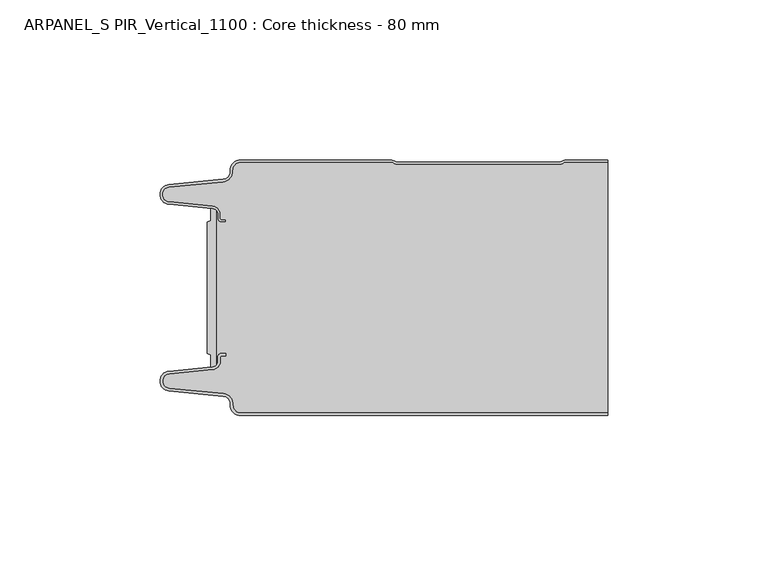
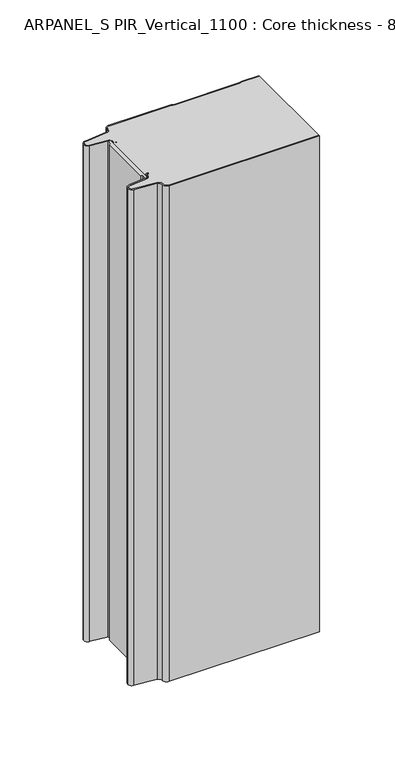
"""IFC4 building model written with IfcOpenShell, lengths in millimetres: plate geometry, ARPANEL_S PIR_Vertical_1100 : Core thickness - 80 mm."""

from ifc_helpers import new_model, si_unit, point, frame, frame_2d, origin, origin_with_axes, place, context, project, spatial, polyline, circle_curve, trimmed, segment, composite_curve, outline, extrude, source, transform, mapped, element, save
from ifc_brep_helpers import plane_surface, cylinder_surface, revolved_surface, advanced_brep


def arpanel_s_pir_vertical_1100_core_thickness_80_mm_e02a9ee4(model_context):
    return source(origin(), model_context, "Body", "SolidModel", [
        extrude(outline(composite_curve([segment(polyline([(-55.2854621, -19.4639745), (-54.0682893, -19.0209598), (-54.0682893, -15.20918)]), True, "CONTINUOUS"), segment(trimmed(circle_curve(frame_2d((-53.9194754, -17.302662)), 2.0987645), [point((-54.0682893, -15.20918))], [point((-52.4659308, -15.7887199))], False, "CARTESIAN"), True, "CONTINUOUS"), segment(polyline([(-52.4659308, -15.7887199), (-52.4659308, -64.2112801)]), True, "CONTINUOUS"), segment(trimmed(circle_curve(frame_2d((-53.9194754, -62.697338)), 2.0987645), [point((-52.4659308, -64.2112801))], [point((-54.0682893, -64.79082))], False, "CARTESIAN"), True, "CONTINUOUS"), segment(polyline([(-54.0682893, -64.79082), (-54.0682893, -60.9790402), (-55.2854621, -60.5360255), (-55.2854621, -19.4639745)]), True, "CONTINUOUS")], self_intersect=False)), origin_with_axes(), (0.0, 0.0, 1.0), 400.0),
        advanced_brep(
        [(-44.8000003, -79.9996949, 0.0), (-47.9923632, -76.5787437, 0.0), (-50.2560431, -73.9171154, 0.0), (-67.2115315, -72.2546153, 0.0), (-69.9999998, -69.1776715, 0.0), (-67.2115315, -66.1007278, 0.0), (-53.6195785, -64.7680252, 0.0), (-51.9952277, -62.9766159, 0.0), (-51.9952277, -61.8996949, 0.0), (-50.5952277, -60.4996949, 0.0), (-49.4952277, -60.4996949, 0.0), (-49.4952277, -61.2996949, 0.0), (-50.5952277, -61.2996949, 0.0), (-51.1952277, -61.8996949, 0.0), (-51.1952277, -62.9766159, 0.0), (-53.5415122, -65.5642071, 0.0), (-67.1334652, -66.8969097, 0.0), (-69.1999997, -69.1776715, 0.0), (-67.1334652, -71.4584333, 0.0), (-50.1779767, -73.1209335, 0.0), (-47.2078761, -76.6330399, 0.0), (-44.8000003, -79.1996949, 0.0), (69.9999998, -79.2, 0.0), (69.9999998, -79.9996949, 0.0), (-44.8000003, -79.1996949, 400.0), (-47.1942724, -76.6339815, 400.0), (-50.1779767, -73.1209335, 400.0), (-67.1334652, -71.4584333, 400.0), (-69.1999997, -69.1776715, 400.0), (-67.1334652, -66.8969097, 400.0), (-53.5415122, -65.5642071, 400.0), (-51.1952277, -62.9766159, 400.0), (-51.1952277, -61.8996949, 400.0), (-50.5952277, -61.2996949, 400.0), (-49.4952277, -61.2996949, 400.0), (-49.4952277, -60.4996949, 400.0), (-50.5952277, -60.4996949, 400.0), (-51.9952277, -61.8996949, 400.0), (-51.9952277, -62.9766159, 400.0), (-53.6195785, -64.7680252, 400.0), (-67.2115315, -66.1007278, 400.0), (-69.9999998, -69.1776715, 400.0), (-67.2115315, -72.2546153, 400.0), (-50.2560431, -73.9171154, 400.0), (-48.0059668, -76.5778021, 400.0), (-44.8000003, -79.9996949, 400.0), (69.9999998, -79.9996949, 400.0), (69.9999998, -79.2, 400.0)],
        [
            (0, 1, circle_curve(frame((-44.8000003, -76.7996949, 0.0), z_axis=(0.0, 0.0, -1.0), x_axis=(1.0, 0.0, 0.0)), 3.2)),
            (1, 2, circle_curve(frame((-50.5000003, -76.4051839, 0.0), z_axis=(0.0, 0.0, 1.0), x_axis=(1.0, 0.0, 0.0)), 2.5)),
            (2, 3),
            (3, 4, circle_curve(frame((-66.9100003, -69.1793626, 0.0), z_axis=(0.0, 0.0, -1.0), x_axis=(1.0, 0.0, 0.0)), 3.09)),
            (4, 5, circle_curve(frame((-66.9100003, -69.1759805, 0.0), z_axis=(0.0, 0.0, -1.0), x_axis=(1.0, 0.0, 0.0)), 3.09)),
            (5, 6),
            (6, 7, circle_curve(frame((-53.7952277, -62.9766159, 0.0), z_axis=(0.0, 0.0, 1.0), x_axis=(1.0, 0.0, 0.0)), 1.8)),
            (7, 8),
            (8, 9, circle_curve(frame((-50.5952277, -61.8996949, 0.0), z_axis=(0.0, 0.0, -1.0), x_axis=(1.0, 0.0, 0.0)), 1.4)),
            (9, 10),
            (10, 11),
            (11, 12),
            (12, 13, circle_curve(frame((-50.5952277, -61.8996949, 0.0), z_axis=(0.0, 0.0, 1.0), x_axis=(1.0, 0.0, 0.0)), 0.6)),
            (13, 14),
            (14, 15, circle_curve(frame((-53.7952277, -62.9766159, 0.0), z_axis=(0.0, 0.0, -1.0), x_axis=(1.0, 0.0, 0.0)), 2.6)),
            (15, 16),
            (16, 17, circle_curve(frame((-66.9100003, -69.1759805, 0.0), z_axis=(0.0, 0.0, 1.0), x_axis=(1.0, 0.0, 0.0)), 2.29)),
            (17, 18, circle_curve(frame((-66.9100003, -69.1793626, 0.0), z_axis=(0.0, 0.0, 1.0), x_axis=(1.0, 0.0, 0.0)), 2.29)),
            (18, 19),
            (19, 20, circle_curve(frame((-50.5000003, -76.4051839, 0.0), z_axis=(0.0, 0.0, -1.0), x_axis=(1.0, 0.0, 0.0)), 3.3)),
            (20, 21, circle_curve(frame((-44.8000003, -76.7996949, 0.0), z_axis=(0.0, 0.0, 1.0), x_axis=(1.0, 0.0, 0.0)), 2.4)),
            (21, 22),
            (22, 23),
            (23, 0),
            (24, 25, circle_curve(frame((-44.8000003, -76.7996949, 400.0), z_axis=(0.0, 0.0, -1.0), x_axis=(1.0, 0.0, 0.0)), 2.4)),
            (25, 26, circle_curve(frame((-50.5000003, -76.4051839, 400.0), z_axis=(0.0, 0.0, 1.0), x_axis=(1.0, 0.0, 0.0)), 3.3)),
            (26, 27),
            (27, 28, circle_curve(frame((-66.9100003, -69.1793626, 400.0), z_axis=(0.0, 0.0, -1.0), x_axis=(1.0, 0.0, 0.0)), 2.29)),
            (28, 29, circle_curve(frame((-66.9100003, -69.1759805, 400.0), z_axis=(0.0, 0.0, -1.0), x_axis=(1.0, 0.0, 0.0)), 2.29)),
            (29, 30),
            (30, 31, circle_curve(frame((-53.7952277, -62.9766159, 400.0), z_axis=(0.0, 0.0, 1.0), x_axis=(1.0, 0.0, 0.0)), 2.6)),
            (31, 32),
            (32, 33, circle_curve(frame((-50.5952277, -61.8996949, 400.0), z_axis=(0.0, 0.0, -1.0), x_axis=(1.0, 0.0, 0.0)), 0.6)),
            (33, 34),
            (34, 35),
            (35, 36),
            (36, 37, circle_curve(frame((-50.5952277, -61.8996949, 400.0), z_axis=(0.0, 0.0, 1.0), x_axis=(1.0, 0.0, 0.0)), 1.4)),
            (37, 38),
            (38, 39, circle_curve(frame((-53.7952277, -62.9766159, 400.0), z_axis=(0.0, 0.0, -1.0), x_axis=(1.0, 0.0, 0.0)), 1.8)),
            (39, 40),
            (40, 41, circle_curve(frame((-66.9100003, -69.1759805, 400.0), z_axis=(0.0, 0.0, 1.0), x_axis=(1.0, 0.0, 0.0)), 3.09)),
            (41, 42, circle_curve(frame((-66.9100003, -69.1793626, 400.0), z_axis=(0.0, 0.0, 1.0), x_axis=(1.0, 0.0, 0.0)), 3.09)),
            (42, 43),
            (43, 44, circle_curve(frame((-50.5000003, -76.4051839, 400.0), z_axis=(0.0, 0.0, -1.0), x_axis=(1.0, 0.0, 0.0)), 2.5)),
            (44, 45, circle_curve(frame((-44.8000003, -76.7996949, 400.0), z_axis=(0.0, 0.0, 1.0), x_axis=(1.0, 0.0, 0.0)), 3.2)),
            (45, 46),
            (46, 47),
            (47, 24),
            (21, 24),
            (47, 22),
            (20, 25),
            (19, 26),
            (18, 27),
            (17, 28),
            (16, 29),
            (15, 30),
            (14, 31),
            (13, 32),
            (12, 33),
            (11, 34),
            (10, 35),
            (9, 36),
            (8, 37),
            (7, 38),
            (6, 39),
            (5, 40),
            (4, 41),
            (3, 42),
            (2, 43),
            (1, 44),
            (0, 45),
            (23, 46),
        ],
        [
            plane_surface(frame((-69.9999998, -80.0, 0.0), z_axis=(0.0, 0.0, -1.0), x_axis=(0.0, 1.0, 0.0))),
            plane_surface(frame((-69.9999998, -80.0, 400.0), z_axis=(0.0, 0.0, 1.0), x_axis=(0.0, 1.0, 0.0))),
            plane_surface(frame((-44.8000003, -79.2, 0.0), z_axis=(0.0, 1.0, 0.0), x_axis=(0.0, 0.0, 1.0))),
            revolved_surface(polyline([(-42.4000003, -76.7996949, 400.0), (-42.4000003, -76.7996949, 0.0)]), (-44.8000003, -76.7996949, 0.0), (0.0, 0.0, 1.0)),
            cylinder_surface(frame((-50.5000003, -76.4051839, 0.0), z_axis=(0.0, 0.0, -1.0), x_axis=(1.0, 0.0, 0.0)), 3.3),
            plane_surface(frame((-67.1334652, -71.4584333, 0.0), z_axis=(0.09758289975914758, 0.9952273999818314, 0.0), x_axis=(0.0, 0.0, 1.0))),
            revolved_surface(polyline([(-64.62000029999999, -69.1793626, 400.0), (-64.62000029999999, -69.1793626, 0.0)]), (-66.9100003, -69.1793626, 0.0), (0.0, 0.0, 1.0)),
            revolved_surface(polyline([(-64.62000029999999, -69.1759805, 400.0), (-64.62000029999999, -69.1759805, 0.0)]), (-66.9100003, -69.1759805, 0.0), (0.0, 0.0, 1.0)),
            plane_surface(frame((-53.5415122, -65.5642071, 0.0), z_axis=(0.09758289975914383, -0.9952273999818317, 0.0), x_axis=(0.0, 0.0, 1.0))),
            cylinder_surface(frame((-53.7952277, -62.9766159, 0.0), z_axis=(0.0, 0.0, -1.0), x_axis=(1.0, 0.0, 0.0)), 2.6),
            plane_surface(frame((-51.1952277, -61.8996949, 0.0), z_axis=(1.0, 0.0, 0.0), x_axis=(0.0, 0.0, 1.0))),
            revolved_surface(polyline([(-49.9952277, -61.8996949, 400.0), (-49.9952277, -61.8996949, 0.0)]), (-50.5952277, -61.8996949, 0.0), (0.0, 0.0, 1.0)),
            plane_surface(frame((-49.4952277, -61.2996949, 0.0), z_axis=(0.0, -1.0, 0.0), x_axis=(0.0, 0.0, 1.0))),
            plane_surface(frame((-49.4952277, -60.4996949, 0.0), z_axis=(1.0, 0.0, 0.0), x_axis=(0.0, 0.0, 1.0))),
            plane_surface(frame((-50.5952277, -60.4996949, 0.0), z_axis=(0.0, 1.0, 0.0), x_axis=(0.0, 0.0, 1.0))),
            cylinder_surface(frame((-50.5952277, -61.8996949, 0.0), z_axis=(0.0, 0.0, -1.0), x_axis=(1.0, 0.0, 0.0)), 1.4),
            plane_surface(frame((-51.9952277, -62.9766159, 0.0), z_axis=(-1.0, 0.0, 0.0), x_axis=(0.0, 0.0, 1.0))),
            revolved_surface(polyline([(-51.9952277, -62.9766159, 400.0), (-51.9952277, -62.9766159, 0.0)]), (-53.7952277, -62.9766159, 0.0), (0.0, 0.0, 1.0)),
            plane_surface(frame((-67.2115315, -66.1007278, 0.0), z_axis=(-0.09758289975914387, 0.9952273999818317, 0.0), x_axis=(0.0, 0.0, 1.0))),
            cylinder_surface(frame((-66.9100003, -69.1759805, 0.0), z_axis=(0.0, 0.0, -1.0), x_axis=(1.0, 0.0, 0.0)), 3.09),
            cylinder_surface(frame((-66.9100003, -69.1793626, 0.0), z_axis=(0.0, 0.0, -1.0), x_axis=(1.0, 0.0, 0.0)), 3.09),
            plane_surface(frame((-50.2560431, -73.9171154, 0.0), z_axis=(-0.09758289975914762, -0.9952273999818314, 0.0), x_axis=(0.0, 0.0, 1.0))),
            revolved_surface(polyline([(-48.0000003, -76.4051839, 400.0), (-48.0000003, -76.4051839, 0.0)]), (-50.5000003, -76.4051839, 0.0), (0.0, 0.0, 1.0)),
            cylinder_surface(frame((-44.8000003, -76.7996949, 0.0), z_axis=(0.0, 0.0, -1.0), x_axis=(1.0, 0.0, 0.0)), 3.2),
            plane_surface(frame((1046.009932, -79.9996949, 0.0), z_axis=(0.0, -1.0, 0.0), x_axis=(0.0, 0.0, 1.0))),
            plane_surface(frame((69.9999998, 180.0, 400.0), z_axis=(1.0, 0.0, 0.0), x_axis=(0.0, 0.0, -1.0))),
        ],
        [
            (0, [[1, 2, 3, 4, 5, 6, 7, 8, 9, 10, 11, 12, 13, 14, 15, 16, 17, 18, 19, 20, 21, 22, 23, 24]]),
            (1, [[25, 26, 27, 28, 29, 30, 31, 32, 33, 34, 35, 36, 37, 38, 39, 40, 41, 42, 43, 44, 45, 46, 47, 48]]),
            (2, [[49, -48, 50, -22]]),
            (3, [[-21, 51, -25, -49]]),
            (4, [[-20, 52, -26, -51]]),
            (5, [[-19, 53, -27, -52]]),
            (6, [[-18, 54, -28, -53]]),
            (7, [[-17, 55, -29, -54]]),
            (8, [[-16, 56, -30, -55]]),
            (9, [[-15, 57, -31, -56]]),
            (10, [[-14, 58, -32, -57]]),
            (11, [[-13, 59, -33, -58]]),
            (12, [[-12, 60, -34, -59]]),
            (13, [[-11, 61, -35, -60]]),
            (14, [[-10, 62, -36, -61]]),
            (15, [[-9, 63, -37, -62]]),
            (16, [[-8, 64, -38, -63]]),
            (17, [[-7, 65, -39, -64]]),
            (18, [[-6, 66, -40, -65]]),
            (19, [[-5, 67, -41, -66]]),
            (20, [[-4, 68, -42, -67]]),
            (21, [[-3, 69, -43, -68]]),
            (22, [[-2, 70, -44, -69]]),
            (23, [[-1, 71, -45, -70]]),
            (24, [[-71, -24, 72, -46]]),
            (25, [[-23, -50, -47, -72]]),
        ],
    ),
        advanced_brep(
        [(-51.9952277, -17.0233841, 400.0), (-52.4671027, -15.8084422, 400.0), (-52.4671027, -64.1915578, 400.0), (-51.9952277, -62.9766159, 400.0), (-51.9952277, -61.8996949, 400.0), (-50.5952277, -60.4996949, 400.0), (-49.4952277, -60.4996949, 400.0), (-49.4952277, -61.2996949, 400.0), (-50.5952277, -61.2996949, 400.0), (-51.1952277, -61.8996949, 400.0), (-51.1952277, -62.9766159, 400.0), (-53.5415122, -65.5642071, 400.0), (-67.1334652, -66.8969097, 400.0), (-69.1999997, -69.1776715, 400.0), (-67.1334652, -71.4584333, 400.0), (-50.1779767, -73.1209335, 400.0), (-47.2078761, -76.6330399, 400.0), (-44.8000003, -79.1996949, 400.0), (69.9999998, -79.2, 400.0), (69.9999998, -0.8, 400.0), (57.0487965, -0.8, 400.0), (55.9973806, -1.0986697, 400.0), (54.5769997, -1.5003051, 400.0), (4.4172165, -1.5003051, 400.0), (2.9978051, -1.0971009, 400.0), (1.9454197, -0.8, 400.0), (-44.8000003, -0.8, 400.0), (-47.1942724, -3.3660185, 400.0), (-50.1779767, -6.8790665, 400.0), (-67.1334652, -8.5415667, 400.0), (-69.1999997, -10.8223285, 400.0), (-67.1334652, -13.1030903, 400.0), (-53.5415122, -14.4357929, 400.0), (-51.1952277, -17.0233841, 400.0), (-51.1952277, -18.1003051, 400.0), (-50.5952277, -18.7003051, 400.0), (-49.4952277, -18.7003051, 400.0), (-49.4952277, -19.5003051, 400.0), (-50.5952277, -19.5003051, 400.0), (-51.9952277, -18.1003051, 400.0), (-52.4671027, -15.8084422, 0.0), (-51.9952277, -17.0233841, 0.0), (-51.9952277, -18.1003051, 0.0), (-50.5952277, -19.5003051, 0.0), (-49.4952277, -19.5003051, 0.0), (-49.4952277, -18.7003051, 0.0), (-50.5952277, -18.7003051, 0.0), (-51.1952277, -18.1003051, 0.0), (-51.1952277, -17.0233841, 0.0), (-53.5415122, -14.4357929, 0.0), (-67.1334652, -13.1030903, 0.0), (-69.1999997, -10.8223285, 0.0), (-67.1334652, -8.5415667, 0.0), (-50.1779767, -6.8790665, 0.0), (-47.2078761, -3.3669601, 0.0), (-44.8000003, -0.8003051, 0.0), (1.9454197, -0.8, 0.0), (2.9968355, -1.0986697, 0.0), (4.4172165, -1.5003051, 0.0), (54.5769997, -1.5003051, 0.0), (55.9964111, -1.0971009, 0.0), (57.0487965, -0.8, 0.0), (69.9999998, -0.8, 0.0), (69.9999998, -79.2, 0.0), (-44.8000003, -79.2, 0.0), (-47.1942724, -76.6339815, 0.0), (-50.1779767, -73.1209335, 0.0), (-67.1334652, -71.4584333, 0.0), (-69.1999997, -69.1776715, 0.0), (-67.1334652, -66.8969097, 0.0), (-53.5415122, -65.5642071, 0.0), (-51.1952277, -62.9766159, 0.0), (-51.1952277, -61.8996949, 0.0), (-50.5952277, -61.2996949, 0.0), (-49.4952277, -61.2996949, 0.0), (-49.4952277, -60.4996949, 0.0), (-50.5952277, -60.4996949, 0.0), (-51.9952277, -61.8996949, 0.0), (-51.9952277, -62.9766159, 0.0), (-52.4671027, -64.1915578, 0.0)],
        [
            (0, 1, circle_curve(frame((-53.7952277, -17.0233841, 400.0), z_axis=(0.0, 0.0, 1.0), x_axis=(1.0, 0.0, 0.0)), 1.8)),
            (1, 2),
            (2, 3, circle_curve(frame((-53.7952277, -62.9766159, 400.0), z_axis=(0.0, 0.0, 1.0), x_axis=(1.0, 0.0, 0.0)), 1.8)),
            (3, 4),
            (4, 5, circle_curve(frame((-50.5952277, -61.8996949, 400.0), z_axis=(0.0, 0.0, -1.0), x_axis=(1.0, 0.0, 0.0)), 1.4)),
            (5, 6),
            (6, 7),
            (7, 8),
            (8, 9, circle_curve(frame((-50.5952277, -61.8996949, 400.0), z_axis=(0.0, 0.0, 1.0), x_axis=(1.0, 0.0, 0.0)), 0.6)),
            (9, 10),
            (10, 11, circle_curve(frame((-53.7952277, -62.9766159, 400.0), z_axis=(0.0, 0.0, -1.0), x_axis=(1.0, 0.0, 0.0)), 2.6)),
            (11, 12),
            (12, 13, circle_curve(frame((-66.9100003, -69.1759805, 400.0), z_axis=(0.0, 0.0, 1.0), x_axis=(1.0, 0.0, 0.0)), 2.29)),
            (13, 14, circle_curve(frame((-66.9100003, -69.1793626, 400.0), z_axis=(0.0, 0.0, 1.0), x_axis=(1.0, 0.0, 0.0)), 2.29)),
            (14, 15),
            (15, 16, circle_curve(frame((-50.5000003, -76.4051839, 400.0), z_axis=(0.0, 0.0, -1.0), x_axis=(1.0, 0.0, 0.0)), 3.3)),
            (16, 17, circle_curve(frame((-44.8000003, -76.7996949, 400.0), z_axis=(0.0, 0.0, 1.0), x_axis=(1.0, 0.0, 0.0)), 2.4)),
            (17, 18),
            (18, 19),
            (19, 20),
            (20, 21, circle_curve(frame((57.0487965, -2.8, 400.0), z_axis=(0.0, 0.0, 1.0), x_axis=(1.0, 0.0, 0.0)), 2.0)),
            (21, 22, circle_curve(frame((54.5769997, 1.1996949, 400.0), z_axis=(0.0, 0.0, -1.0), x_axis=(1.0, 0.0, 0.0)), 2.7)),
            (22, 23),
            (23, 24, circle_curve(frame((4.4172165, 1.1996949, 400.0), z_axis=(0.0, 0.0, -1.0), x_axis=(1.0, 0.0, 0.0)), 2.7)),
            (24, 25, circle_curve(frame((1.9454197, -2.8, 400.0), z_axis=(0.0, 0.0, 1.0), x_axis=(1.0, 0.0, 0.0)), 2.0)),
            (25, 26),
            (26, 27, circle_curve(frame((-44.8000003, -3.2003051, 400.0), z_axis=(0.0, 0.0, 1.0), x_axis=(1.0, 0.0, 0.0)), 2.4)),
            (27, 28, circle_curve(frame((-50.5000003, -3.5948161, 400.0), z_axis=(0.0, 0.0, -1.0), x_axis=(1.0, 0.0, 0.0)), 3.3)),
            (28, 29),
            (29, 30, circle_curve(frame((-66.9100003, -10.8206374, 400.0), z_axis=(0.0, 0.0, 1.0), x_axis=(1.0, 0.0, 0.0)), 2.29)),
            (30, 31, circle_curve(frame((-66.9100003, -10.8240195, 400.0), z_axis=(0.0, 0.0, 1.0), x_axis=(1.0, 0.0, 0.0)), 2.29)),
            (31, 32),
            (32, 33, circle_curve(frame((-53.7952277, -17.0233841, 400.0), z_axis=(0.0, 0.0, -1.0), x_axis=(1.0, 0.0, 0.0)), 2.6)),
            (33, 34),
            (34, 35, circle_curve(frame((-50.5952277, -18.1003051, 400.0), z_axis=(0.0, 0.0, 1.0), x_axis=(1.0, 0.0, 0.0)), 0.6)),
            (35, 36),
            (36, 37),
            (37, 38),
            (38, 39, circle_curve(frame((-50.5952277, -18.1003051, 400.0), z_axis=(0.0, 0.0, -1.0), x_axis=(1.0, 0.0, 0.0)), 1.4)),
            (39, 0),
            (40, 41, circle_curve(frame((-53.7952277, -17.0233841, 0.0), z_axis=(0.0, 0.0, -1.0), x_axis=(1.0, 0.0, 0.0)), 1.8)),
            (41, 42),
            (42, 43, circle_curve(frame((-50.5952277, -18.1003051, 0.0), z_axis=(0.0, 0.0, 1.0), x_axis=(1.0, 0.0, 0.0)), 1.4)),
            (43, 44),
            (44, 45),
            (45, 46),
            (46, 47, circle_curve(frame((-50.5952277, -18.1003051, 0.0), z_axis=(0.0, 0.0, -1.0), x_axis=(1.0, 0.0, 0.0)), 0.6)),
            (47, 48),
            (48, 49, circle_curve(frame((-53.7952277, -17.0233841, 0.0), z_axis=(0.0, 0.0, 1.0), x_axis=(1.0, 0.0, 0.0)), 2.6)),
            (49, 50),
            (50, 51, circle_curve(frame((-66.9100003, -10.8240195, 0.0), z_axis=(0.0, 0.0, -1.0), x_axis=(1.0, 0.0, 0.0)), 2.29)),
            (51, 52, circle_curve(frame((-66.9100003, -10.8206374, 0.0), z_axis=(0.0, 0.0, -1.0), x_axis=(1.0, 0.0, 0.0)), 2.29)),
            (52, 53),
            (53, 54, circle_curve(frame((-50.5000003, -3.5948161, 0.0), z_axis=(0.0, 0.0, 1.0), x_axis=(1.0, 0.0, 0.0)), 3.3)),
            (54, 55, circle_curve(frame((-44.8000003, -3.2003051, 0.0), z_axis=(0.0, 0.0, -1.0), x_axis=(1.0, 0.0, 0.0)), 2.4)),
            (55, 56),
            (56, 57, circle_curve(frame((1.9454197, -2.8, 0.0), z_axis=(0.0, 0.0, -1.0), x_axis=(1.0, 0.0, 0.0)), 2.0)),
            (57, 58, circle_curve(frame((4.4172165, 1.1996949, 0.0), z_axis=(0.0, 0.0, 1.0), x_axis=(1.0, 0.0, 0.0)), 2.7)),
            (58, 59),
            (59, 60, circle_curve(frame((54.5769997, 1.1996949, 0.0), z_axis=(0.0, 0.0, 1.0), x_axis=(1.0, 0.0, 0.0)), 2.7)),
            (60, 61, circle_curve(frame((57.0487965, -2.8, 0.0), z_axis=(0.0, 0.0, -1.0), x_axis=(1.0, 0.0, 0.0)), 2.0)),
            (61, 62),
            (62, 63),
            (63, 64),
            (64, 65, circle_curve(frame((-44.8000003, -76.7996949, 0.0), z_axis=(0.0, 0.0, -1.0), x_axis=(1.0, 0.0, 0.0)), 2.4)),
            (65, 66, circle_curve(frame((-50.5000003, -76.4051839, 0.0), z_axis=(0.0, 0.0, 1.0), x_axis=(1.0, 0.0, 0.0)), 3.3)),
            (66, 67),
            (67, 68, circle_curve(frame((-66.9100003, -69.1793626, 0.0), z_axis=(0.0, 0.0, -1.0), x_axis=(1.0, 0.0, 0.0)), 2.29)),
            (68, 69, circle_curve(frame((-66.9100003, -69.1759805, 0.0), z_axis=(0.0, 0.0, -1.0), x_axis=(1.0, 0.0, 0.0)), 2.29)),
            (69, 70),
            (70, 71, circle_curve(frame((-53.7952277, -62.9766159, 0.0), z_axis=(0.0, 0.0, 1.0), x_axis=(1.0, 0.0, 0.0)), 2.6)),
            (71, 72),
            (72, 73, circle_curve(frame((-50.5952277, -61.8996949, 0.0), z_axis=(0.0, 0.0, -1.0), x_axis=(1.0, 0.0, 0.0)), 0.6)),
            (73, 74),
            (74, 75),
            (75, 76),
            (76, 77, circle_curve(frame((-50.5952277, -61.8996949, 0.0), z_axis=(0.0, 0.0, 1.0), x_axis=(1.0, 0.0, 0.0)), 1.4)),
            (77, 78),
            (78, 79, circle_curve(frame((-53.7952277, -62.9766159, 0.0), z_axis=(0.0, 0.0, -1.0), x_axis=(1.0, 0.0, 0.0)), 1.8)),
            (79, 40),
            (1, 40),
            (79, 2),
            (0, 41),
            (39, 42),
            (38, 43),
            (37, 44),
            (45, 36),
            (35, 46),
            (34, 47),
            (33, 48),
            (32, 49),
            (31, 50),
            (30, 51),
            (29, 52),
            (28, 53),
            (27, 54),
            (26, 55),
            (25, 56),
            (24, 57),
            (23, 58),
            (22, 59),
            (21, 60),
            (20, 61),
            (19, 62),
            (17, 64),
            (63, 18),
            (16, 65),
            (15, 66),
            (14, 67),
            (13, 68),
            (12, 69),
            (11, 70),
            (10, 71),
            (9, 72),
            (8, 73),
            (7, 74),
            (6, 75),
            (5, 76),
            (4, 77),
            (3, 78),
        ],
        [
            plane_surface(frame((-69.9999998, 0.0, 400.0), z_axis=(0.0, 0.0, 1.0), x_axis=(0.0, -1.0, 0.0))),
            plane_surface(frame((-69.9999998, 0.0, 0.0), z_axis=(0.0, 0.0, -1.0), x_axis=(0.0, -1.0, 0.0))),
            plane_surface(frame((-52.4671027, -14.998578, 400.0), z_axis=(-1.0, 0.0, 0.0), x_axis=(0.0, 0.0, -1.0))),
            cylinder_surface(frame((-53.7952277, -17.0233841, 530.0), z_axis=(0.0, 0.0, -1.0), x_axis=(1.0, 0.0, 0.0)), 1.8),
            plane_surface(frame((-51.9952277, -17.0233841, 530.0), z_axis=(1.0, 0.0, 0.0), x_axis=(0.0, 0.0, -1.0))),
            revolved_surface(polyline([(-49.195227700000004, -18.1003051, 400.0), (-49.195227700000004, -18.1003051, 0.0)]), (-50.5952277, -18.1003051, 530.0), (0.0, 0.0, 1.0)),
            plane_surface(frame((-50.5952277, -19.5003051, 530.0), z_axis=(0.0, 1.0, 0.0), x_axis=(0.0, 0.0, -1.0))),
            plane_surface(frame((-49.4952277, -18.7003051, 530.0), z_axis=(0.0, -1.0, 0.0), x_axis=(0.0, 0.0, -1.0))),
            cylinder_surface(frame((-50.5952277, -18.1003051, 530.0), z_axis=(0.0, 0.0, -1.0), x_axis=(1.0, 0.0, 0.0)), 0.6),
            plane_surface(frame((-51.1952277, -18.1003051, 530.0), z_axis=(-1.0, 0.0, 0.0), x_axis=(0.0, 0.0, -1.0))),
            revolved_surface(polyline([(-51.1952277, -17.0233841, 400.0), (-51.1952277, -17.0233841, 0.0)]), (-53.7952277, -17.0233841, 530.0), (0.0, 0.0, 1.0)),
            plane_surface(frame((-53.5415122, -14.4357929, 530.0), z_axis=(-0.09758289975914705, -0.9952273999818314, 0.0), x_axis=(0.0, 0.0, -1.0))),
            cylinder_surface(frame((-66.9100003, -10.8240195, 530.0), z_axis=(0.0, 0.0, -1.0), x_axis=(1.0, 0.0, 0.0)), 2.29),
            cylinder_surface(frame((-66.9100003, -10.8206374, 530.0), z_axis=(0.0, 0.0, -1.0), x_axis=(1.0, 0.0, 0.0)), 2.29),
            plane_surface(frame((-67.1334652, -8.5415667, 530.0), z_axis=(-0.09758289975914436, 0.9952273999818317, 0.0), x_axis=(0.0, 0.0, -1.0))),
            revolved_surface(polyline([(-47.200000300000006, -3.5948161, 400.0), (-47.200000300000006, -3.5948161, 0.0)]), (-50.5000003, -3.5948161, 530.0), (0.0, 0.0, 1.0)),
            cylinder_surface(frame((-44.8000003, -3.2003051, 530.0), z_axis=(0.0, 0.0, -1.0), x_axis=(1.0, 0.0, 0.0)), 2.4),
            plane_surface(frame((-44.8000003, -0.8, 530.0), z_axis=(0.0, 1.0, 0.0), x_axis=(0.0, 0.0, -1.0))),
            cylinder_surface(frame((1.9454197, -2.8, 530.0), z_axis=(0.0, 0.0, -1.0), x_axis=(1.0, 0.0, 0.0)), 2.0),
            revolved_surface(polyline([(7.1172165000000005, 1.1996949, 400.0), (7.1172165000000005, 1.1996949, 0.0)]), (4.4172165, 1.1996949, 530.0), (0.0, 0.0, 1.0)),
            plane_surface(frame((4.4172165, -1.5003051, 530.0), z_axis=(0.0, 1.0, 0.0), x_axis=(0.0, 0.0, -1.0))),
            revolved_surface(polyline([(57.276999700000005, 1.1996949, 400.0), (57.276999700000005, 1.1996949, 0.0)]), (54.5769997, 1.1996949, 530.0), (0.0, 0.0, 1.0)),
            cylinder_surface(frame((57.0487965, -2.8, 530.0), z_axis=(0.0, 0.0, -1.0), x_axis=(1.0, 0.0, 0.0)), 2.0),
            plane_surface(frame((57.0487965, -0.8, 530.0), z_axis=(0.0, 1.0, 0.0), x_axis=(0.0, 0.0, -1.0))),
            plane_surface(frame((-49.4952277, -19.5003051, 530.0), z_axis=(-1.0, 0.0, 0.0), x_axis=(0.0, 0.0, -1.0))),
            plane_surface(frame((1046.009932, -79.2, 530.0), z_axis=(0.0, -1.0, 0.0), x_axis=(0.0, 0.0, -1.0))),
            cylinder_surface(frame((-44.8000003, -76.7996949, 530.0), z_axis=(0.0, 0.0, -1.0), x_axis=(1.0, 0.0, 0.0)), 2.4),
            revolved_surface(polyline([(-47.200000300000006, -76.4051839, 400.0), (-47.200000300000006, -76.4051839, 0.0)]), (-50.5000003, -76.4051839, 530.0), (0.0, 0.0, 1.0)),
            plane_surface(frame((-50.1779767, -73.1209335, 530.0), z_axis=(-0.09758289975914758, -0.9952273999818314, 0.0), x_axis=(0.0, 0.0, -1.0))),
            cylinder_surface(frame((-66.9100003, -69.1793626, 530.0), z_axis=(0.0, 0.0, -1.0), x_axis=(1.0, 0.0, 0.0)), 2.29),
            cylinder_surface(frame((-66.9100003, -69.1759805, 530.0), z_axis=(0.0, 0.0, -1.0), x_axis=(1.0, 0.0, 0.0)), 2.29),
            plane_surface(frame((-67.1334652, -66.8969097, 530.0), z_axis=(-0.09758289975914383, 0.9952273999818317, 0.0), x_axis=(0.0, 0.0, -1.0))),
            revolved_surface(polyline([(-51.1952277, -62.9766159, 400.0), (-51.1952277, -62.9766159, 0.0)]), (-53.7952277, -62.9766159, 530.0), (0.0, 0.0, 1.0)),
            plane_surface(frame((-51.1952277, -62.9766159, 530.0), z_axis=(-1.0, 0.0, 0.0), x_axis=(0.0, 0.0, -1.0))),
            cylinder_surface(frame((-50.5952277, -61.8996949, 530.0), z_axis=(0.0, 0.0, -1.0), x_axis=(1.0, 0.0, 0.0)), 0.6),
            plane_surface(frame((-50.5952277, -61.2996949, 530.0), z_axis=(0.0, 1.0, 0.0), x_axis=(0.0, 0.0, -1.0))),
            plane_surface(frame((-49.4952277, -61.2996949, 530.0), z_axis=(-1.0, 0.0, 0.0), x_axis=(0.0, 0.0, -1.0))),
            plane_surface(frame((-49.4952277, -60.4996949, 530.0), z_axis=(0.0, -1.0, 0.0), x_axis=(0.0, 0.0, -1.0))),
            revolved_surface(polyline([(-49.195227700000004, -61.8996949, 400.0), (-49.195227700000004, -61.8996949, 0.0)]), (-50.5952277, -61.8996949, 530.0), (0.0, 0.0, 1.0)),
            plane_surface(frame((-51.9952277, -61.8996949, 530.0), z_axis=(1.0, 0.0, 0.0), x_axis=(0.0, 0.0, -1.0))),
            cylinder_surface(frame((-53.7952277, -62.9766159, 530.0), z_axis=(0.0, 0.0, -1.0), x_axis=(1.0, 0.0, 0.0)), 1.8),
            plane_surface(frame((69.9999998, 180.0, 400.0), z_axis=(1.0, 0.0, 0.0), x_axis=(0.0, 0.0, -1.0))),
        ],
        [
            (0, [[1, 2, 3, 4, 5, 6, 7, 8, 9, 10, 11, 12, 13, 14, 15, 16, 17, 18, 19, 20, 21, 22, 23, 24, 25, 26, 27, 28, 29, 30, 31, 32, 33, 34, 35, 36, 37, 38, 39, 40]]),
            (1, [[41, 42, 43, 44, 45, 46, 47, 48, 49, 50, 51, 52, 53, 54, 55, 56, 57, 58, 59, 60, 61, 62, 63, 64, 65, 66, 67, 68, 69, 70, 71, 72, 73, 74, 75, 76, 77, 78, 79, 80]]),
            (2, [[81, -80, 82, -2]]),
            (3, [[83, -41, -81, -1]]),
            (4, [[-83, -40, 84, -42]]),
            (5, [[-84, -39, 85, -43]]),
            (6, [[-85, -38, 86, -44]]),
            (7, [[87, -36, 88, -46]]),
            (8, [[-88, -35, 89, -47]]),
            (9, [[-89, -34, 90, -48]]),
            (10, [[-90, -33, 91, -49]]),
            (11, [[-91, -32, 92, -50]]),
            (12, [[-92, -31, 93, -51]]),
            (13, [[-93, -30, 94, -52]]),
            (14, [[-94, -29, 95, -53]]),
            (15, [[-95, -28, 96, -54]]),
            (16, [[-96, -27, 97, -55]]),
            (17, [[-97, -26, 98, -56]]),
            (18, [[-98, -25, 99, -57]]),
            (19, [[-99, -24, 100, -58]]),
            (20, [[-100, -23, 101, -59]]),
            (21, [[-101, -22, 102, -60]]),
            (22, [[-102, -21, 103, -61]]),
            (23, [[-103, -20, 104, -62]]),
            (24, [[-87, -45, -86, -37]]),
            (25, [[105, -64, 106, -18]]),
            (26, [[-105, -17, 107, -65]]),
            (27, [[-107, -16, 108, -66]]),
            (28, [[-108, -15, 109, -67]]),
            (29, [[-109, -14, 110, -68]]),
            (30, [[-110, -13, 111, -69]]),
            (31, [[-111, -12, 112, -70]]),
            (32, [[-112, -11, 113, -71]]),
            (33, [[-113, -10, 114, -72]]),
            (34, [[-114, -9, 115, -73]]),
            (35, [[-115, -8, 116, -74]]),
            (36, [[-116, -7, 117, -75]]),
            (37, [[-117, -6, 118, -76]]),
            (38, [[-118, -5, 119, -77]]),
            (39, [[-119, -4, 120, -78]]),
            (40, [[-120, -3, -82, -79]]),
            (41, [[-104, -19, -106, -63]]),
        ],
    ),
        advanced_brep(
        [(2.9968355, -1.0986697, 0.0), (1.9454197, -0.8, 0.0), (-44.8000003, -0.8, 0.0), (-47.1942724, -3.3660185, 0.0), (-50.1779767, -6.8790665, 0.0), (-67.1334652, -8.5415667, 0.0), (-69.1999997, -10.8223285, 0.0), (-67.1334652, -13.1030903, 0.0), (-53.5415122, -14.4357929, 0.0), (-51.1952277, -17.0233841, 0.0), (-51.1952277, -18.1003051, 0.0), (-50.5952277, -18.7003051, 0.0), (-49.4952277, -18.7003051, 0.0), (-49.4952277, -19.5003051, 0.0), (-50.5952277, -19.5003051, 0.0), (-51.9952277, -18.1003051, 0.0), (-51.9952277, -17.0233841, 0.0), (-53.6195785, -15.2319748, 0.0), (-67.2115315, -13.8992722, 0.0), (-69.9999998, -10.8223285, 0.0), (-67.2115315, -7.7453847, 0.0), (-50.2560431, -6.0828846, 0.0), (-48.0059668, -3.4221979, 0.0), (-44.8000003, -0.0003051, 0.0), (1.9454197, -0.0003051, 0.0), (3.3647528, -0.4034608, 0.0), (4.4172165, -0.7003051, 0.0), (54.5769997, -0.7003051, 0.0), (55.6283575, -0.4016712, 0.0), (57.0487965, -0.0003051, 0.0), (69.9999998, -0.0003051, 0.0), (69.9999998, -0.8, 0.0), (57.0487965, -0.8, 0.0), (55.9973806, -1.0986697, 0.0), (54.5769997, -1.5003051, 0.0), (4.4172165, -1.5003051, 0.0), (2.9978051, -1.0971009, 400.0), (4.4172165, -1.5003051, 400.0), (54.5769997, -1.5003051, 400.0), (55.9964111, -1.0971009, 400.0), (57.0487965, -0.8, 400.0), (69.9999998, -0.8, 400.0), (69.9999998, -0.0003051, 400.0), (57.0487965, -0.0003051, 400.0), (55.6294634, -0.4034608, 400.0), (54.5769997, -0.7003051, 400.0), (4.4172165, -0.7003051, 400.0), (3.3658586, -0.4016712, 400.0), (1.9454197, -0.0003051, 400.0), (-44.8000003, -0.0003051, 400.0), (-47.9923632, -3.4212563, 400.0), (-50.2560431, -6.0828846, 400.0), (-67.2115315, -7.7453847, 400.0), (-69.9999998, -10.8223285, 400.0), (-67.2115315, -13.8992722, 400.0), (-53.6195785, -15.2319748, 400.0), (-51.9952277, -17.0233841, 400.0), (-51.9952277, -18.1003051, 400.0), (-50.5952277, -19.5003051, 400.0), (-49.4952277, -19.5003051, 400.0), (-49.4952277, -18.7003051, 400.0), (-50.5952277, -18.7003051, 400.0), (-51.1952277, -18.1003051, 400.0), (-51.1952277, -17.0233841, 400.0), (-53.5415122, -14.4357929, 400.0), (-67.1334652, -13.1030903, 400.0), (-69.1999997, -10.8223285, 400.0), (-67.1334652, -8.5415667, 400.0), (-50.1779767, -6.8790665, 400.0), (-47.2078761, -3.3669601, 400.0), (-44.8000003, -0.8003051, 400.0), (1.9454197, -0.8, 400.0)],
        [
            (0, 1, circle_curve(frame((1.9454197, -2.8, 0.0), z_axis=(0.0, 0.0, 1.0), x_axis=(1.0, 0.0, 0.0)), 2.0)),
            (1, 2),
            (2, 3, circle_curve(frame((-44.8000003, -3.2003051, 0.0), z_axis=(0.0, 0.0, 1.0), x_axis=(1.0, 0.0, 0.0)), 2.4)),
            (3, 4, circle_curve(frame((-50.5000003, -3.5948161, 0.0), z_axis=(0.0, 0.0, -1.0), x_axis=(1.0, 0.0, 0.0)), 3.3)),
            (4, 5),
            (5, 6, circle_curve(frame((-66.9100003, -10.8206374, 0.0), z_axis=(0.0, 0.0, 1.0), x_axis=(1.0, 0.0, 0.0)), 2.29)),
            (6, 7, circle_curve(frame((-66.9100003, -10.8240195, 0.0), z_axis=(0.0, 0.0, 1.0), x_axis=(1.0, 0.0, 0.0)), 2.29)),
            (7, 8),
            (8, 9, circle_curve(frame((-53.7952277, -17.0233841, 0.0), z_axis=(0.0, 0.0, -1.0), x_axis=(1.0, 0.0, 0.0)), 2.6)),
            (9, 10),
            (10, 11, circle_curve(frame((-50.5952277, -18.1003051, 0.0), z_axis=(0.0, 0.0, 1.0), x_axis=(1.0, 0.0, 0.0)), 0.6)),
            (11, 12),
            (12, 13),
            (13, 14),
            (14, 15, circle_curve(frame((-50.5952277, -18.1003051, 0.0), z_axis=(0.0, 0.0, -1.0), x_axis=(1.0, 0.0, 0.0)), 1.4)),
            (15, 16),
            (16, 17, circle_curve(frame((-53.7952277, -17.0233841, 0.0), z_axis=(0.0, 0.0, 1.0), x_axis=(1.0, 0.0, 0.0)), 1.8)),
            (17, 18),
            (18, 19, circle_curve(frame((-66.9100003, -10.8240195, 0.0), z_axis=(0.0, 0.0, -1.0), x_axis=(1.0, 0.0, 0.0)), 3.09)),
            (19, 20, circle_curve(frame((-66.9100003, -10.8206374, 0.0), z_axis=(0.0, 0.0, -1.0), x_axis=(1.0, 0.0, 0.0)), 3.09)),
            (20, 21),
            (21, 22, circle_curve(frame((-50.5000003, -3.5948161, 0.0), z_axis=(0.0, 0.0, 1.0), x_axis=(1.0, 0.0, 0.0)), 2.5)),
            (22, 23, circle_curve(frame((-44.8000003, -3.2003051, 0.0), z_axis=(0.0, 0.0, -1.0), x_axis=(1.0, 0.0, 0.0)), 3.2)),
            (23, 24),
            (24, 25, circle_curve(frame((1.9454197, -2.7003051, 0.0), z_axis=(0.0, 0.0, -1.0), x_axis=(1.0, 0.0, 0.0)), 2.7)),
            (25, 26, circle_curve(frame((4.4172165, 1.2996949, 0.0), z_axis=(0.0, 0.0, 1.0), x_axis=(1.0, 0.0, 0.0)), 2.0)),
            (26, 27),
            (27, 28, circle_curve(frame((54.5769997, 1.2996949, 0.0), z_axis=(0.0, 0.0, 1.0), x_axis=(1.0, 0.0, 0.0)), 2.0)),
            (28, 29, circle_curve(frame((57.0487965, -2.7003051, 0.0), z_axis=(0.0, 0.0, -1.0), x_axis=(1.0, 0.0, 0.0)), 2.7)),
            (29, 30),
            (30, 31),
            (31, 32),
            (32, 33, circle_curve(frame((57.0487965, -2.8, 0.0), z_axis=(0.0, 0.0, 1.0), x_axis=(1.0, 0.0, 0.0)), 2.0)),
            (33, 34, circle_curve(frame((54.5769997, 1.1996949, 0.0), z_axis=(0.0, 0.0, -1.0), x_axis=(1.0, 0.0, 0.0)), 2.7)),
            (34, 35),
            (35, 0, circle_curve(frame((4.4172165, 1.1996949, 0.0), z_axis=(0.0, 0.0, -1.0), x_axis=(1.0, 0.0, 0.0)), 2.7)),
            (36, 37, circle_curve(frame((4.4172165, 1.1996949, 400.0), z_axis=(0.0, 0.0, 1.0), x_axis=(1.0, 0.0, 0.0)), 2.7)),
            (37, 38),
            (38, 39, circle_curve(frame((54.5769997, 1.1996949, 400.0), z_axis=(0.0, 0.0, 1.0), x_axis=(1.0, 0.0, 0.0)), 2.7)),
            (39, 40, circle_curve(frame((57.0487965, -2.8, 400.0), z_axis=(0.0, 0.0, -1.0), x_axis=(1.0, 0.0, 0.0)), 2.0)),
            (40, 41),
            (41, 42),
            (42, 43),
            (43, 44, circle_curve(frame((57.0487965, -2.7003051, 400.0), z_axis=(0.0, 0.0, 1.0), x_axis=(1.0, 0.0, 0.0)), 2.7)),
            (44, 45, circle_curve(frame((54.5769997, 1.2996949, 400.0), z_axis=(0.0, 0.0, -1.0), x_axis=(1.0, 0.0, 0.0)), 2.0)),
            (45, 46),
            (46, 47, circle_curve(frame((4.4172165, 1.2996949, 400.0), z_axis=(0.0, 0.0, -1.0), x_axis=(1.0, 0.0, 0.0)), 2.0)),
            (47, 48, circle_curve(frame((1.9454197, -2.7003051, 400.0), z_axis=(0.0, 0.0, 1.0), x_axis=(1.0, 0.0, 0.0)), 2.7)),
            (48, 49),
            (49, 50, circle_curve(frame((-44.8000003, -3.2003051, 400.0), z_axis=(0.0, 0.0, 1.0), x_axis=(1.0, 0.0, 0.0)), 3.2)),
            (50, 51, circle_curve(frame((-50.5000003, -3.5948161, 400.0), z_axis=(0.0, 0.0, -1.0), x_axis=(1.0, 0.0, 0.0)), 2.5)),
            (51, 52),
            (52, 53, circle_curve(frame((-66.9100003, -10.8206374, 400.0), z_axis=(0.0, 0.0, 1.0), x_axis=(1.0, 0.0, 0.0)), 3.09)),
            (53, 54, circle_curve(frame((-66.9100003, -10.8240195, 400.0), z_axis=(0.0, 0.0, 1.0), x_axis=(1.0, 0.0, 0.0)), 3.09)),
            (54, 55),
            (55, 56, circle_curve(frame((-53.7952277, -17.0233841, 400.0), z_axis=(0.0, 0.0, -1.0), x_axis=(1.0, 0.0, 0.0)), 1.8)),
            (56, 57),
            (57, 58, circle_curve(frame((-50.5952277, -18.1003051, 400.0), z_axis=(0.0, 0.0, 1.0), x_axis=(1.0, 0.0, 0.0)), 1.4)),
            (58, 59),
            (59, 60),
            (60, 61),
            (61, 62, circle_curve(frame((-50.5952277, -18.1003051, 400.0), z_axis=(0.0, 0.0, -1.0), x_axis=(1.0, 0.0, 0.0)), 0.6)),
            (62, 63),
            (63, 64, circle_curve(frame((-53.7952277, -17.0233841, 400.0), z_axis=(0.0, 0.0, 1.0), x_axis=(1.0, 0.0, 0.0)), 2.6)),
            (64, 65),
            (65, 66, circle_curve(frame((-66.9100003, -10.8240195, 400.0), z_axis=(0.0, 0.0, -1.0), x_axis=(1.0, 0.0, 0.0)), 2.29)),
            (66, 67, circle_curve(frame((-66.9100003, -10.8206374, 400.0), z_axis=(0.0, 0.0, -1.0), x_axis=(1.0, 0.0, 0.0)), 2.29)),
            (67, 68),
            (68, 69, circle_curve(frame((-50.5000003, -3.5948161, 400.0), z_axis=(0.0, 0.0, 1.0), x_axis=(1.0, 0.0, 0.0)), 3.3)),
            (69, 70, circle_curve(frame((-44.8000003, -3.2003051, 400.0), z_axis=(0.0, 0.0, -1.0), x_axis=(1.0, 0.0, 0.0)), 2.4)),
            (70, 71),
            (71, 36, circle_curve(frame((1.9454197, -2.8, 400.0), z_axis=(0.0, 0.0, -1.0), x_axis=(1.0, 0.0, 0.0)), 2.0)),
            (0, 36),
            (71, 1),
            (70, 2),
            (69, 3),
            (68, 4),
            (67, 5),
            (66, 6),
            (65, 7),
            (64, 8),
            (63, 9),
            (62, 10),
            (61, 11),
            (60, 12),
            (59, 13),
            (58, 14),
            (57, 15),
            (56, 16),
            (55, 17),
            (54, 18),
            (53, 19),
            (52, 20),
            (51, 21),
            (50, 22),
            (49, 23),
            (48, 24),
            (47, 25),
            (46, 26),
            (45, 27),
            (44, 28),
            (43, 29),
            (42, 30),
            (40, 32),
            (31, 41),
            (39, 33),
            (38, 34),
            (37, 35),
        ],
        [
            plane_surface(frame((-69.9999998, 0.0, 0.0), z_axis=(0.0, 0.0, -1.0), x_axis=(0.0, -1.0, 0.0))),
            plane_surface(frame((-69.9999998, 0.0, 400.0), z_axis=(0.0, 0.0, 1.0), x_axis=(0.0, -1.0, 0.0))),
            revolved_surface(polyline([(3.9454197, -2.8, 400.0), (3.9454197, -2.8, 0.0)]), (1.9454197, -2.8, 0.0), (0.0, 0.0, 1.0)),
            plane_surface(frame((1.9454197, -0.8, 0.0), z_axis=(0.0, -1.0, 0.0), x_axis=(0.0, 0.0, 1.0))),
            revolved_surface(polyline([(-42.4000003, -3.2003051, 400.0), (-42.4000003, -3.2003051, 0.0)]), (-44.8000003, -3.2003051, 0.0), (0.0, 0.0, 1.0)),
            cylinder_surface(frame((-50.5000003, -3.5948161, 0.0), z_axis=(0.0, 0.0, -1.0), x_axis=(1.0, 0.0, 0.0)), 3.3),
            plane_surface(frame((-50.1779767, -6.8790665, 0.0), z_axis=(0.09758289975914113, -0.9952273999818321, 0.0), x_axis=(0.0, 0.0, 1.0))),
            revolved_surface(polyline([(-64.62000029999999, -10.8206374, 400.0), (-64.62000029999999, -10.8206374, 0.0)]), (-66.9100003, -10.8206374, 0.0), (0.0, 0.0, 1.0)),
            revolved_surface(polyline([(-64.62000029999999, -10.8240195, 400.0), (-64.62000029999999, -10.8240195, 0.0)]), (-66.9100003, -10.8240195, 0.0), (0.0, 0.0, 1.0)),
            plane_surface(frame((-67.1334652, -13.1030903, 0.0), z_axis=(0.0975828997591503, 0.9952273999818312, 0.0), x_axis=(0.0, 0.0, 1.0))),
            cylinder_surface(frame((-53.7952277, -17.0233841, 0.0), z_axis=(0.0, 0.0, -1.0), x_axis=(1.0, 0.0, 0.0)), 2.6),
            plane_surface(frame((-51.1952277, -17.0233841, 0.0), z_axis=(1.0, 0.0, 0.0), x_axis=(0.0, 0.0, 1.0))),
            revolved_surface(polyline([(-49.9952277, -18.1003051, 400.0), (-49.9952277, -18.1003051, 0.0)]), (-50.5952277, -18.1003051, 0.0), (0.0, 0.0, 1.0)),
            plane_surface(frame((-50.5952277, -18.7003051, 0.0), z_axis=(0.0, 1.0, 0.0), x_axis=(0.0, 0.0, 1.0))),
            plane_surface(frame((-49.4952277, -18.7003051, 0.0), z_axis=(1.0, 0.0, 0.0), x_axis=(0.0, 0.0, 1.0))),
            plane_surface(frame((-49.4952277, -19.5003051, 0.0), z_axis=(0.0, -1.0, 0.0), x_axis=(0.0, 0.0, 1.0))),
            cylinder_surface(frame((-50.5952277, -18.1003051, 0.0), z_axis=(0.0, 0.0, -1.0), x_axis=(1.0, 0.0, 0.0)), 1.4),
            plane_surface(frame((-51.9952277, -18.1003051, 0.0), z_axis=(-1.0, 0.0, 0.0), x_axis=(0.0, 0.0, 1.0))),
            revolved_surface(polyline([(-51.9952277, -17.0233841, 400.0), (-51.9952277, -17.0233841, 0.0)]), (-53.7952277, -17.0233841, 0.0), (0.0, 0.0, 1.0)),
            plane_surface(frame((-53.6195785, -15.2319748, 0.0), z_axis=(-0.09758289975915034, -0.9952273999818312, 0.0), x_axis=(0.0, 0.0, 1.0))),
            cylinder_surface(frame((-66.9100003, -10.8240195, 0.0), z_axis=(0.0, 0.0, -1.0), x_axis=(1.0, 0.0, 0.0)), 3.09),
            cylinder_surface(frame((-66.9100003, -10.8206374, 0.0), z_axis=(0.0, 0.0, -1.0), x_axis=(1.0, 0.0, 0.0)), 3.09),
            plane_surface(frame((-67.2115315, -7.7453847, 0.0), z_axis=(-0.09758289975914117, 0.9952273999818321, 0.0), x_axis=(0.0, 0.0, 1.0))),
            revolved_surface(polyline([(-48.0000003, -3.5948161, 400.0), (-48.0000003, -3.5948161, 0.0)]), (-50.5000003, -3.5948161, 0.0), (0.0, 0.0, 1.0)),
            cylinder_surface(frame((-44.8000003, -3.2003051, 0.0), z_axis=(0.0, 0.0, -1.0), x_axis=(1.0, 0.0, 0.0)), 3.2),
            plane_surface(frame((-44.8000003, -0.0003051, 0.0), z_axis=(0.0, 1.0, 0.0), x_axis=(0.0, 0.0, 1.0))),
            cylinder_surface(frame((1.9454197, -2.7003051, 0.0), z_axis=(0.0, 0.0, -1.0), x_axis=(1.0, 0.0, 0.0)), 2.7),
            revolved_surface(polyline([(6.4172165, 1.2996949, 400.0), (6.4172165, 1.2996949, 0.0)]), (4.4172165, 1.2996949, 0.0), (0.0, 0.0, 1.0)),
            plane_surface(frame((4.4172165, -0.7003051, 0.0), z_axis=(0.0, 1.0, 0.0), x_axis=(0.0, 0.0, 1.0))),
            revolved_surface(polyline([(56.5769997, 1.2996949, 400.0), (56.5769997, 1.2996949, 0.0)]), (54.5769997, 1.2996949, 0.0), (0.0, 0.0, 1.0)),
            cylinder_surface(frame((57.0487965, -2.7003051, 0.0), z_axis=(0.0, 0.0, -1.0), x_axis=(1.0, 0.0, 0.0)), 2.7),
            plane_surface(frame((57.0487965, -0.0003051, 0.0), z_axis=(0.0, 1.0, 0.0), x_axis=(0.0, 0.0, 1.0))),
            plane_surface(frame((107.2085797, -0.8, 0.0), z_axis=(0.0, -1.0, 0.0), x_axis=(0.0, 0.0, 1.0))),
            revolved_surface(polyline([(59.0487965, -2.8, 400.0), (59.0487965, -2.8, 0.0)]), (57.0487965, -2.8, 0.0), (0.0, 0.0, 1.0)),
            cylinder_surface(frame((54.5769997, 1.1996949, 0.0), z_axis=(0.0, 0.0, -1.0), x_axis=(1.0, 0.0, 0.0)), 2.7),
            plane_surface(frame((54.5769997, -1.5003051, 0.0), z_axis=(0.0, -1.0, 0.0), x_axis=(0.0, 0.0, 1.0))),
            cylinder_surface(frame((4.4172165, 1.1996949, 0.0), z_axis=(0.0, 0.0, -1.0), x_axis=(1.0, 0.0, 0.0)), 2.7),
            plane_surface(frame((69.9999998, 180.0, 400.0), z_axis=(1.0, 0.0, 0.0), x_axis=(0.0, 0.0, -1.0))),
        ],
        [
            (0, [[1, 2, 3, 4, 5, 6, 7, 8, 9, 10, 11, 12, 13, 14, 15, 16, 17, 18, 19, 20, 21, 22, 23, 24, 25, 26, 27, 28, 29, 30, 31, 32, 33, 34, 35, 36]]),
            (1, [[37, 38, 39, 40, 41, 42, 43, 44, 45, 46, 47, 48, 49, 50, 51, 52, 53, 54, 55, 56, 57, 58, 59, 60, 61, 62, 63, 64, 65, 66, 67, 68, 69, 70, 71, 72]]),
            (2, [[-1, 73, -72, 74]]),
            (3, [[-2, -74, -71, 75]]),
            (4, [[-3, -75, -70, 76]]),
            (5, [[-4, -76, -69, 77]]),
            (6, [[-5, -77, -68, 78]]),
            (7, [[-6, -78, -67, 79]]),
            (8, [[-7, -79, -66, 80]]),
            (9, [[-8, -80, -65, 81]]),
            (10, [[-9, -81, -64, 82]]),
            (11, [[-10, -82, -63, 83]]),
            (12, [[-11, -83, -62, 84]]),
            (13, [[-12, -84, -61, 85]]),
            (14, [[-13, -85, -60, 86]]),
            (15, [[-14, -86, -59, 87]]),
            (16, [[-15, -87, -58, 88]]),
            (17, [[-16, -88, -57, 89]]),
            (18, [[-17, -89, -56, 90]]),
            (19, [[-18, -90, -55, 91]]),
            (20, [[-19, -91, -54, 92]]),
            (21, [[-20, -92, -53, 93]]),
            (22, [[-21, -93, -52, 94]]),
            (23, [[-22, -94, -51, 95]]),
            (24, [[-23, -95, -50, 96]]),
            (25, [[-24, -96, -49, 97]]),
            (26, [[-25, -97, -48, 98]]),
            (27, [[-26, -98, -47, 99]]),
            (28, [[-27, -99, -46, 100]]),
            (29, [[-28, -100, -45, 101]]),
            (30, [[-29, -101, -44, 102]]),
            (31, [[-102, -43, 103, -30]]),
            (32, [[104, -32, 105, -41]]),
            (33, [[-33, -104, -40, 106]]),
            (34, [[-34, -106, -39, 107]]),
            (35, [[-35, -107, -38, 108]]),
            (36, [[-36, -108, -37, -73]]),
            (37, [[-31, -103, -42, -105]]),
        ],
    ),
    ])


if __name__ == "__main__":
    model = new_model("IFC4")
    model_context = context("Model", 3, world=origin())
    ifc_project = project(units=[si_unit("LENGTHUNIT", "METRE", prefix="MILLI")], contexts=[model_context])
    site = spatial("IfcSite", under=ifc_project)
    building = spatial("IfcBuilding", under=site)
    placement = place(None, origin())
    arpanel_s_pir_vertical_1100_core_thickness_80_mm_shape = arpanel_s_pir_vertical_1100_core_thickness_80_mm_e02a9ee4(model_context)
    element("IfcPlate", 1, ObjectType="ARPANEL_S PIR_Vertical_1100 : Core thickness - 80 mm", at=placement, inside=building, context=model_context, shape_type="MappedRepresentation", body=[
        mapped(arpanel_s_pir_vertical_1100_core_thickness_80_mm_shape, transform((0.0, 0.0, 0.0), x_axis=(1.0, 0.0, 0.0), y_axis=(0.0, 1.0, 0.0), z_axis=(0.0, 0.0, 1.0))),
    ])
    save(model, "model.ifc")
